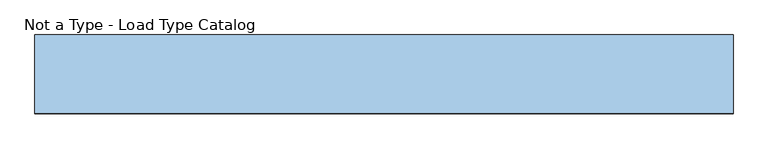
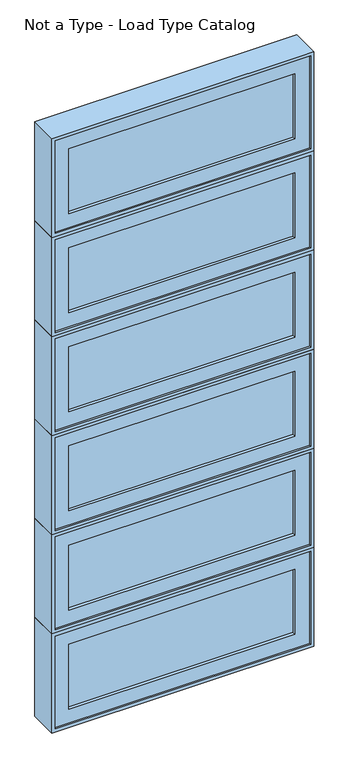
"""IFC4 building model written with IfcOpenShell, lengths in millimetres: window geometry, Not a Type - Load Type Catalog."""

import ifcopenshell
import ifcopenshell.guid

model = None  # the IFC model being written
_history = None  # IfcOwnerHistory: only IFC2X3 demands one
_inside = {}  # id of a spatial element -> (the spatial element, [elements in it])
_under = {}  # id of a project, library or spatial element -> (it, [spatial elements below it])
_declared = {}  # id of a project -> (the project, [libraries it declares])
_typed = {}  # id of a type object -> (the type object, [elements of that type])
_made_of = {}  # id of a material, layer set ... -> (it, [elements and type objects made of it])


def new_model(schema):
    """Start an empty IFC model of exactly this schema.

    Asked for "IFC4X3", IfcOpenShell would pick the latest addendum, in which some entities
    have other attributes; the version numbers below select the first issue.
    IFC2X3 requires an IfcOwnerHistory on every rooted entity: one is made here for all.
    """
    global model, _history
    if schema == "IFC4X3":
        model = ifcopenshell.file(schema_version=(4, 3, 0, 0))
    else:
        model = ifcopenshell.file(schema=schema)
    _inside.clear()
    _under.clear()
    _declared.clear()
    _typed.clear()
    _made_of.clear()
    _history = None
    if model.schema == "IFC2X3":
        org = make("IfcOrganization", Name="unknown")
        user = make(
            "IfcPersonAndOrganization",
            ThePerson=make("IfcPerson", FamilyName="unknown"),
            TheOrganization=org,
        )
        app = make(
            "IfcApplication",
            ApplicationDeveloper=org,
            Version="unknown",
            ApplicationFullName="unknown",
            ApplicationIdentifier="unknown",
        )
        _history = make(
            "IfcOwnerHistory",
            OwningUser=user,
            OwningApplication=app,
            ChangeAction="ADDED",
            CreationDate=0,
        )
    return model


def make(cls, **values):
    """One entity of the class cls with the attributes given. An attribute that is None is left unset."""
    return model.create_entity(
        cls, **{name: value for name, value in values.items() if value is not None}
    )


def rooted(cls, **values):
    """An entity with a GlobalId (a new one), such as an element, a storey or a relation."""
    return make(cls, GlobalId=ifcopenshell.guid.new(), OwnerHistory=_history, **values)


def si_unit(unit_type, name, prefix=None):
    """IfcSIUnit, for example si_unit("LENGTHUNIT", "METRE", prefix="MILLI")."""
    return make("IfcSIUnit", UnitType=unit_type, Prefix=prefix, Name=name)


def assignment(units):
    """IfcUnitAssignment: the units of a project."""
    return None if units is None else make("IfcUnitAssignment", Units=units)


def point(xyz):
    """IfcCartesianPoint."""
    return None if xyz is None else make("IfcCartesianPoint", Coordinates=xyz)


def direction(xyz):
    """IfcDirection."""
    return None if xyz is None else make("IfcDirection", DirectionRatios=xyz)


def frame(location, z_axis=None, x_axis=None):
    """IfcAxis2Placement3D, a coordinate frame: its origin and axes. An axis left out is left unset."""
    return make(
        "IfcAxis2Placement3D",
        Location=point(location),
        Axis=direction(z_axis),
        RefDirection=direction(x_axis),
    )


def origin():
    """The frame at (0, 0, 0) with its axes left unset."""
    return frame((0.0, 0.0, 0.0))


def place(relative_to, where):
    """IfcLocalPlacement: puts the frame where relative to a parent placement (None: the world)."""
    return make(
        "IfcLocalPlacement", PlacementRelTo=relative_to, RelativePlacement=where
    )


def context(
    kind, dimensions, precision=None, world=None, true_north=None, identifier=None
):
    """IfcGeometricRepresentationContext, for example the 3D "Model" context."""
    return make(
        "IfcGeometricRepresentationContext",
        ContextIdentifier=identifier,
        ContextType=kind,
        CoordinateSpaceDimension=dimensions,
        Precision=precision,
        WorldCoordinateSystem=world,
        TrueNorth=true_north,
    )


def project(units=None, contexts=None):
    """IfcProject with its units and contexts."""
    return rooted(
        "IfcProject",
        Name="project",
        RepresentationContexts=contexts,
        UnitsInContext=assignment(units),
    )


def spatial(cls, under=None, at=None, **own):
    """A site, building, storey or space (cls), placed at a placement, below another one or the project."""
    s = rooted(cls, ObjectPlacement=at, **own)
    if under is not None:
        _under.setdefault(under.id(), (under, []))[1].append(s)
    return s


def polyline(points):
    """IfcPolyline through the points."""
    return make("IfcPolyline", Points=[point(p) for p in points])


def outline(outer, holes=None, kind="AREA"):
    """IfcArbitraryClosedProfileDef: a profile drawn as a closed curve; with holes, ...WithVoids."""
    if holes is None:
        return make("IfcArbitraryClosedProfileDef", ProfileType=kind, OuterCurve=outer)
    return make(
        "IfcArbitraryProfileDefWithVoids",
        ProfileType=kind,
        OuterCurve=outer,
        InnerCurves=holes,
    )


def extrude(swept, where, along, depth):
    """IfcExtrudedAreaSolid: the profile swept, set in the frame where, extruded along a direction by depth."""
    return make(
        "IfcExtrudedAreaSolid",
        SweptArea=swept,
        Position=where,
        ExtrudedDirection=direction(along),
        Depth=depth,
    )


def faces_of(points, faces, orient=None, outer=None):
    """IfcFace entities. A face is a list of loops; a loop is a list of indices into points, from 0.

    orient and outer hold one flag for each loop. By default every Orientation is true, the
    first loop of a face is its IfcFaceOuterBound and the others are IfcFaceBound.
    """
    made = []
    for i, loops in enumerate(faces):
        bounds = []
        for j, loop in enumerate(loops):
            is_outer = j == 0 if outer is None else outer[i][j]
            bounds.append(
                make(
                    "IfcFaceOuterBound" if is_outer else "IfcFaceBound",
                    Bound=make("IfcPolyLoop", Polygon=[points[k] for k in loop]),
                    Orientation=True if orient is None else orient[i][j],
                )
            )
        made.append(make("IfcFace", Bounds=bounds))
    return made


def faceted_brep(points, faces, orient=None, outer=None, voids=None):
    """IfcFacetedBrep: a solid bounded by flat faces; with voids (closed shells), ...WithVoids."""
    shared = [point(p) for p in points]
    hull = make("IfcClosedShell", CfsFaces=faces_of(shared, faces, orient, outer))
    if voids is None:
        return make("IfcFacetedBrep", Outer=hull)
    return make(
        "IfcFacetedBrepWithVoids",
        Outer=hull,
        Voids=[
            make(cls, CfsFaces=faces_of(shared, fs, o, b)) for cls, fs, o, b in voids
        ],
    )


def shape(context_of_items, identifier, shape_type, items):
    """IfcShapeRepresentation: the items that make up one representation, for example the "Body"."""
    return make(
        "IfcShapeRepresentation",
        ContextOfItems=context_of_items,
        RepresentationIdentifier=identifier,
        RepresentationType=shape_type,
        Items=items,
    )


def source(mapping_origin, context_of_items, identifier, shape_type, items):
    """IfcRepresentationMap: a shape defined once, which mapped items show again and again."""
    return make(
        "IfcRepresentationMap",
        MappingOrigin=mapping_origin,
        MappedRepresentation=shape(context_of_items, identifier, shape_type, items),
    )


def transform(
    local_origin,
    x_axis=None,
    y_axis=None,
    z_axis=None,
    scale=None,
    scale2=None,
    scale3=None,
    uniform=True,
):
    """IfcCartesianTransformationOperator3D, or its non-uniform kind. x_axis, y_axis, z_axis: its Axis1, 2, 3."""
    if uniform:
        return make(
            "IfcCartesianTransformationOperator3D",
            Axis1=direction(x_axis),
            Axis2=direction(y_axis),
            LocalOrigin=point(local_origin),
            Scale=scale,
            Axis3=direction(z_axis),
        )
    return make(
        "IfcCartesianTransformationOperator3DnonUniform",
        Axis1=direction(x_axis),
        Axis2=direction(y_axis),
        LocalOrigin=point(local_origin),
        Scale=scale,
        Axis3=direction(z_axis),
        Scale2=scale2,
        Scale3=scale3,
    )


def mapped(mapping_source, mapping_target):
    """IfcMappedItem: shows the shape of a source again, moved by a transform."""
    return make(
        "IfcMappedItem", MappingSource=mapping_source, MappingTarget=mapping_target
    )


def made_of(thing, what):
    """Note that an element or type object is made of a material, layer set ...; save() writes the relation."""
    if what is not None:
        _made_of.setdefault(what.id(), (what, []))[1].append(thing)
    return thing


def element(
    cls,
    number,
    at=None,
    inside=None,
    cuts=None,
    type_object=None,
    material=None,
    context=None,
    identifier="Body",
    shape_type=None,
    held_by="IfcProductDefinitionShape",
    body=None,
    shapes=None,
    **own,
):
    """One element of the class cls, such as IfcWall. Its Tag is "e" and its number.

    at: its placement. inside: the storey or other place that contains it. cuts: it is an
    opening in that element (IfcRelVoidsElement). A single representation is given by context,
    identifier, shape_type and body (its items); several are given by shapes. held_by: the class
    of the entity that holds the representations. save() writes the other relations.
    """
    e = rooted(cls, Tag="e%d" % number, ObjectPlacement=at, **own)
    if body is not None:
        shapes = [shape(context, identifier, shape_type, body)]
    if shapes is not None:
        e.Representation = make(held_by, Representations=shapes)
    if inside is not None:
        _inside.setdefault(inside.id(), (inside, []))[1].append(e)
    if cuts is not None:
        rooted(
            "IfcRelVoidsElement", RelatingBuildingElement=cuts, RelatedOpeningElement=e
        )
    if type_object is not None:
        _typed.setdefault(type_object.id(), (type_object, []))[1].append(e)
    return made_of(e, material)


def aggregate(whole, parts):
    """IfcRelAggregates: a whole, such as a stair, and the parts it consists of."""
    return rooted("IfcRelAggregates", RelatingObject=whole, RelatedObjects=parts)


def save(model, path):
    """Write the relations noted so far, then the file.

    IfcRelAggregates (storeys below a building ...), IfcRelContainedInSpatialStructure (elements
    in a storey), IfcRelDefinesByType, IfcRelAssociatesMaterial and IfcRelDeclares: one each for
    every whole, place, type object, material and project.
    """
    for whole, parts in _under.values():
        aggregate(whole, parts)
    for where, things in _inside.values():
        rooted(
            "IfcRelContainedInSpatialStructure",
            RelatedElements=things,
            RelatingStructure=where,
        )
    for kind, things in _typed.values():
        rooted("IfcRelDefinesByType", RelatedObjects=things, RelatingType=kind)
    for what, things in _made_of.values():
        rooted("IfcRelAssociatesMaterial", RelatedObjects=things, RelatingMaterial=what)
    for by, libraries in _declared.values():
        rooted("IfcRelDeclares", RelatingContext=by, RelatedDefinitions=libraries)
    model.write(path)


def not_a_type_load_type_catalog_d03cbe78(model_context):
    return source(origin(), model_context, "Body", "SolidModel", [
        faceted_brep([(-1383.8781766, -42.8625, 2959.1), (-1383.8781766, -93.6625, 2959.1), (-393.2781766, -93.6625, 2959.1), (-393.2781766, -42.8625, 2959.1), (-1364.8281766, 20.6375, 2978.15), (-1364.8281766, -42.8625, 2978.15), (-412.3281766, -42.8625, 2978.15), (-412.3281766, 20.6375, 2978.15), (-1396.5781766, -93.6625, 2946.4), (-1396.5781766, 20.6375, 2946.4), (-380.5781766, 20.6375, 2946.4), (-380.5781766, -93.6625, 2946.4), (-393.2781766, -93.6625, 3340.1), (-393.2781766, -42.8625, 3340.1), (-412.3281766, -42.8625, 3321.05), (-412.3281766, 20.6375, 3321.05), (-380.5781766, 20.6375, 3352.8), (-380.5781766, -93.6625, 3352.8), (-1383.8781766, -93.6625, 3340.1), (-1383.8781766, -42.8625, 3340.1), (-1364.8281766, -42.8625, 3321.05), (-1364.8281766, 20.6375, 3321.05), (-1396.5781766, 20.6375, 3352.8), (-1396.5781766, -93.6625, 3352.8)], [[[0, 1, 2, 3]], [[4, 5, 6, 7]], [[8, 9, 10, 11]], [[3, 2, 12, 13]], [[7, 6, 14, 15]], [[11, 10, 16, 17]], [[13, 12, 18, 19]], [[15, 14, 20, 21]], [[17, 16, 22, 23]], [[11, 17, 23, 8], [1, 18, 12, 2]], [[19, 18, 1, 0]], [[3, 13, 19, 0], [5, 20, 14, 6]], [[21, 20, 5, 4]], [[9, 22, 16, 10], [7, 15, 21, 4]], [[23, 22, 9, 8]]]),
        extrude(outline(polyline([(-1326.7281766, -74.6125), (-1326.7281766, -68.2625), (-450.4281766, -68.2625), (-450.4281766, -74.6125), (-1326.7281766, -74.6125)])), frame((0.0, 0.0, 3016.25), z_axis=(0.0, 0.0, 1.0), x_axis=(1.0, 0.0, 0.0)), (0.0, 0.0, 1.0), 266.7),
        extrude(outline(polyline([(-1326.7281766, -61.9125), (-1326.7281766, -55.5625), (-450.4281766, -55.5625), (-450.4281766, -61.9125), (-1326.7281766, -61.9125)])), frame((0.0, 0.0, 3016.25), z_axis=(0.0, 0.0, 1.0), x_axis=(1.0, 0.0, 0.0)), (0.0, 0.0, 1.0), 266.7),
        extrude(outline(polyline([(3340.1, -393.2781766), (3340.1, -1383.8781766), (2959.1, -1383.8781766), (2959.1, -393.2781766), (3340.1, -393.2781766)]), holes=[polyline([(3016.25, -450.4281766), (3016.25, -1326.7281766), (3282.95, -1326.7281766), (3282.95, -450.4281766), (3016.25, -450.4281766)])]), frame((0.0, -87.3125, 0.0), z_axis=(0.0, 1.0, 0.0), x_axis=(0.0, 0.0, 1.0)), (0.0, 0.0, 1.0), 44.45),
        faceted_brep([(-1383.8781766, -42.8625, 2552.7), (-1383.8781766, -93.6625, 2552.7), (-393.2781766, -93.6625, 2552.7), (-393.2781766, -42.8625, 2552.7), (-1364.8281766, 20.6375, 2571.75), (-1364.8281766, -42.8625, 2571.75), (-412.3281766, -42.8625, 2571.75), (-412.3281766, 20.6375, 2571.75), (-1396.5781766, -93.6625, 2540.0), (-1396.5781766, 20.6375, 2540.0), (-380.5781766, 20.6375, 2540.0), (-380.5781766, -93.6625, 2540.0), (-393.2781766, -93.6625, 2933.7), (-393.2781766, -42.8625, 2933.7), (-412.3281766, -42.8625, 2914.65), (-412.3281766, 20.6375, 2914.65), (-380.5781766, 20.6375, 2946.4), (-380.5781766, -93.6625, 2946.4), (-1383.8781766, -93.6625, 2933.7), (-1383.8781766, -42.8625, 2933.7), (-1364.8281766, -42.8625, 2914.65), (-1364.8281766, 20.6375, 2914.65), (-1396.5781766, 20.6375, 2946.4), (-1396.5781766, -93.6625, 2946.4)], [[[0, 1, 2, 3]], [[4, 5, 6, 7]], [[8, 9, 10, 11]], [[3, 2, 12, 13]], [[7, 6, 14, 15]], [[11, 10, 16, 17]], [[13, 12, 18, 19]], [[15, 14, 20, 21]], [[17, 16, 22, 23]], [[11, 17, 23, 8], [1, 18, 12, 2]], [[19, 18, 1, 0]], [[3, 13, 19, 0], [5, 20, 14, 6]], [[21, 20, 5, 4]], [[9, 22, 16, 10], [7, 15, 21, 4]], [[23, 22, 9, 8]]]),
        extrude(outline(polyline([(-1326.7281766, -74.6125), (-1326.7281766, -68.2625), (-450.4281766, -68.2625), (-450.4281766, -74.6125), (-1326.7281766, -74.6125)])), frame((0.0, 0.0, 2609.85), z_axis=(0.0, 0.0, 1.0), x_axis=(1.0, 0.0, 0.0)), (0.0, 0.0, 1.0), 266.7),
        extrude(outline(polyline([(-1326.7281766, -61.9125), (-1326.7281766, -55.5625), (-450.4281766, -55.5625), (-450.4281766, -61.9125), (-1326.7281766, -61.9125)])), frame((0.0, 0.0, 2609.85), z_axis=(0.0, 0.0, 1.0), x_axis=(1.0, 0.0, 0.0)), (0.0, 0.0, 1.0), 266.7),
        extrude(outline(polyline([(2933.7, -393.2781766), (2933.7, -1383.8781766), (2552.7, -1383.8781766), (2552.7, -393.2781766), (2933.7, -393.2781766)]), holes=[polyline([(2609.85, -450.4281766), (2609.85, -1326.7281766), (2876.55, -1326.7281766), (2876.55, -450.4281766), (2609.85, -450.4281766)])]), frame((0.0, -87.3125, 0.0), z_axis=(0.0, 1.0, 0.0), x_axis=(0.0, 0.0, 1.0)), (0.0, 0.0, 1.0), 44.45),
        faceted_brep([(-1383.8781766, -42.8625, 2146.3), (-1383.8781766, -93.6625, 2146.3), (-393.2781766, -93.6625, 2146.3), (-393.2781766, -42.8625, 2146.3), (-1364.8281766, 20.6375, 2165.35), (-1364.8281766, -42.8625, 2165.35), (-412.3281766, -42.8625, 2165.35), (-412.3281766, 20.6375, 2165.35), (-1396.5781766, -93.6625, 2133.6), (-1396.5781766, 20.6375, 2133.6), (-380.5781766, 20.6375, 2133.6), (-380.5781766, -93.6625, 2133.6), (-393.2781766, -93.6625, 2527.3), (-393.2781766, -42.8625, 2527.3), (-412.3281766, -42.8625, 2508.25), (-412.3281766, 20.6375, 2508.25), (-380.5781766, 20.6375, 2540.0), (-380.5781766, -93.6625, 2540.0), (-1383.8781766, -93.6625, 2527.3), (-1383.8781766, -42.8625, 2527.3), (-1364.8281766, -42.8625, 2508.25), (-1364.8281766, 20.6375, 2508.25), (-1396.5781766, 20.6375, 2540.0), (-1396.5781766, -93.6625, 2540.0)], [[[0, 1, 2, 3]], [[4, 5, 6, 7]], [[8, 9, 10, 11]], [[3, 2, 12, 13]], [[7, 6, 14, 15]], [[11, 10, 16, 17]], [[13, 12, 18, 19]], [[15, 14, 20, 21]], [[17, 16, 22, 23]], [[11, 17, 23, 8], [1, 18, 12, 2]], [[19, 18, 1, 0]], [[3, 13, 19, 0], [5, 20, 14, 6]], [[21, 20, 5, 4]], [[9, 22, 16, 10], [7, 15, 21, 4]], [[23, 22, 9, 8]]]),
        extrude(outline(polyline([(-1326.7281766, -74.6125), (-1326.7281766, -68.2625), (-450.4281766, -68.2625), (-450.4281766, -74.6125), (-1326.7281766, -74.6125)])), frame((0.0, 0.0, 2203.45), z_axis=(0.0, 0.0, 1.0), x_axis=(1.0, 0.0, 0.0)), (0.0, 0.0, 1.0), 266.7),
        extrude(outline(polyline([(-1326.7281766, -61.9125), (-1326.7281766, -55.5625), (-450.4281766, -55.5625), (-450.4281766, -61.9125), (-1326.7281766, -61.9125)])), frame((0.0, 0.0, 2203.45), z_axis=(0.0, 0.0, 1.0), x_axis=(1.0, 0.0, 0.0)), (0.0, 0.0, 1.0), 266.7),
        extrude(outline(polyline([(2527.3, -393.2781766), (2527.3, -1383.8781766), (2146.3, -1383.8781766), (2146.3, -393.2781766), (2527.3, -393.2781766)]), holes=[polyline([(2203.45, -450.4281766), (2203.45, -1326.7281766), (2470.15, -1326.7281766), (2470.15, -450.4281766), (2203.45, -450.4281766)])]), frame((0.0, -87.3125, 0.0), z_axis=(0.0, 1.0, 0.0), x_axis=(0.0, 0.0, 1.0)), (0.0, 0.0, 1.0), 44.45),
        faceted_brep([(-1383.8781766, -42.8625, 1739.9), (-1383.8781766, -93.6625, 1739.9), (-393.2781766, -93.6625, 1739.9), (-393.2781766, -42.8625, 1739.9), (-1364.8281766, 20.6375, 1758.95), (-1364.8281766, -42.8625, 1758.95), (-412.3281766, -42.8625, 1758.95), (-412.3281766, 20.6375, 1758.95), (-1396.5781766, -93.6625, 1727.2), (-1396.5781766, 20.6375, 1727.2), (-380.5781766, 20.6375, 1727.2), (-380.5781766, -93.6625, 1727.2), (-393.2781766, -93.6625, 2120.9), (-393.2781766, -42.8625, 2120.9), (-412.3281766, -42.8625, 2101.85), (-412.3281766, 20.6375, 2101.85), (-380.5781766, 20.6375, 2133.6), (-380.5781766, -93.6625, 2133.6), (-1383.8781766, -93.6625, 2120.9), (-1383.8781766, -42.8625, 2120.9), (-1364.8281766, -42.8625, 2101.85), (-1364.8281766, 20.6375, 2101.85), (-1396.5781766, 20.6375, 2133.6), (-1396.5781766, -93.6625, 2133.6)], [[[0, 1, 2, 3]], [[4, 5, 6, 7]], [[8, 9, 10, 11]], [[3, 2, 12, 13]], [[7, 6, 14, 15]], [[11, 10, 16, 17]], [[13, 12, 18, 19]], [[15, 14, 20, 21]], [[17, 16, 22, 23]], [[11, 17, 23, 8], [1, 18, 12, 2]], [[19, 18, 1, 0]], [[3, 13, 19, 0], [5, 20, 14, 6]], [[21, 20, 5, 4]], [[9, 22, 16, 10], [7, 15, 21, 4]], [[23, 22, 9, 8]]]),
        extrude(outline(polyline([(-1326.7281766, -74.6125), (-1326.7281766, -68.2625), (-450.4281766, -68.2625), (-450.4281766, -74.6125), (-1326.7281766, -74.6125)])), frame((0.0, 0.0, 1797.05), z_axis=(0.0, 0.0, 1.0), x_axis=(1.0, 0.0, 0.0)), (0.0, 0.0, 1.0), 266.7),
        extrude(outline(polyline([(-1326.7281766, -61.9125), (-1326.7281766, -55.5625), (-450.4281766, -55.5625), (-450.4281766, -61.9125), (-1326.7281766, -61.9125)])), frame((0.0, 0.0, 1797.05), z_axis=(0.0, 0.0, 1.0), x_axis=(1.0, 0.0, 0.0)), (0.0, 0.0, 1.0), 266.7),
        extrude(outline(polyline([(2120.9, -393.2781766), (2120.9, -1383.8781766), (1739.9, -1383.8781766), (1739.9, -393.2781766), (2120.9, -393.2781766)]), holes=[polyline([(1797.05, -450.4281766), (1797.05, -1326.7281766), (2063.75, -1326.7281766), (2063.75, -450.4281766), (1797.05, -450.4281766)])]), frame((0.0, -87.3125, 0.0), z_axis=(0.0, 1.0, 0.0), x_axis=(0.0, 0.0, 1.0)), (0.0, 0.0, 1.0), 44.45),
        faceted_brep([(-1383.8781766, -42.8625, 1333.5), (-1383.8781766, -93.6625, 1333.5), (-393.2781766, -93.6625, 1333.5), (-393.2781766, -42.8625, 1333.5), (-1364.8281766, 20.6375, 1352.55), (-1364.8281766, -42.8625, 1352.55), (-412.3281766, -42.8625, 1352.55), (-412.3281766, 20.6375, 1352.55), (-1396.5781766, -93.6625, 1320.8), (-1396.5781766, 20.6375, 1320.8), (-380.5781766, 20.6375, 1320.8), (-380.5781766, -93.6625, 1320.8), (-393.2781766, -93.6625, 1714.5), (-393.2781766, -42.8625, 1714.5), (-412.3281766, -42.8625, 1695.45), (-412.3281766, 20.6375, 1695.45), (-380.5781766, 20.6375, 1727.2), (-380.5781766, -93.6625, 1727.2), (-1383.8781766, -93.6625, 1714.5), (-1383.8781766, -42.8625, 1714.5), (-1364.8281766, -42.8625, 1695.45), (-1364.8281766, 20.6375, 1695.45), (-1396.5781766, 20.6375, 1727.2), (-1396.5781766, -93.6625, 1727.2)], [[[0, 1, 2, 3]], [[4, 5, 6, 7]], [[8, 9, 10, 11]], [[3, 2, 12, 13]], [[7, 6, 14, 15]], [[11, 10, 16, 17]], [[13, 12, 18, 19]], [[15, 14, 20, 21]], [[17, 16, 22, 23]], [[11, 17, 23, 8], [1, 18, 12, 2]], [[19, 18, 1, 0]], [[3, 13, 19, 0], [5, 20, 14, 6]], [[21, 20, 5, 4]], [[9, 22, 16, 10], [7, 15, 21, 4]], [[23, 22, 9, 8]]]),
        extrude(outline(polyline([(-1326.7281766, -74.6125), (-1326.7281766, -68.2625), (-450.4281766, -68.2625), (-450.4281766, -74.6125), (-1326.7281766, -74.6125)])), frame((0.0, 0.0, 1390.65), z_axis=(0.0, 0.0, 1.0), x_axis=(1.0, 0.0, 0.0)), (0.0, 0.0, 1.0), 266.7),
        extrude(outline(polyline([(-1326.7281766, -61.9125), (-1326.7281766, -55.5625), (-450.4281766, -55.5625), (-450.4281766, -61.9125), (-1326.7281766, -61.9125)])), frame((0.0, 0.0, 1390.65), z_axis=(0.0, 0.0, 1.0), x_axis=(1.0, 0.0, 0.0)), (0.0, 0.0, 1.0), 266.7),
        extrude(outline(polyline([(1714.5, -393.2781766), (1714.5, -1383.8781766), (1333.5, -1383.8781766), (1333.5, -393.2781766), (1714.5, -393.2781766)]), holes=[polyline([(1390.65, -450.4281766), (1390.65, -1326.7281766), (1657.35, -1326.7281766), (1657.35, -450.4281766), (1390.65, -450.4281766)])]), frame((0.0, -87.3125, 0.0), z_axis=(0.0, 1.0, 0.0), x_axis=(0.0, 0.0, 1.0)), (0.0, 0.0, 1.0), 44.45),
        faceted_brep([(-1383.8781766, -42.8625, 927.1), (-1383.8781766, -93.6625, 927.1), (-393.2781766, -93.6625, 927.1), (-393.2781766, -42.8625, 927.1), (-1364.8281766, 20.6375, 946.15), (-1364.8281766, -42.8625, 946.15), (-412.3281766, -42.8625, 946.15), (-412.3281766, 20.6375, 946.15), (-1396.5781766, -93.6625, 914.4), (-1396.5781766, 20.6375, 914.4), (-380.5781766, 20.6375, 914.4), (-380.5781766, -93.6625, 914.4), (-393.2781766, -93.6625, 1308.1), (-393.2781766, -42.8625, 1308.1), (-412.3281766, -42.8625, 1289.05), (-412.3281766, 20.6375, 1289.05), (-380.5781766, 20.6375, 1320.8), (-380.5781766, -93.6625, 1320.8), (-1383.8781766, -93.6625, 1308.1), (-1383.8781766, -42.8625, 1308.1), (-1364.8281766, -42.8625, 1289.05), (-1364.8281766, 20.6375, 1289.05), (-1396.5781766, 20.6375, 1320.8), (-1396.5781766, -93.6625, 1320.8)], [[[0, 1, 2, 3]], [[4, 5, 6, 7]], [[8, 9, 10, 11]], [[3, 2, 12, 13]], [[7, 6, 14, 15]], [[11, 10, 16, 17]], [[13, 12, 18, 19]], [[15, 14, 20, 21]], [[17, 16, 22, 23]], [[11, 17, 23, 8], [1, 18, 12, 2]], [[19, 18, 1, 0]], [[3, 13, 19, 0], [5, 20, 14, 6]], [[21, 20, 5, 4]], [[9, 22, 16, 10], [7, 15, 21, 4]], [[23, 22, 9, 8]]]),
        extrude(outline(polyline([(-1326.7281766, -74.6125), (-1326.7281766, -68.2625), (-450.4281766, -68.2625), (-450.4281766, -74.6125), (-1326.7281766, -74.6125)])), frame((0.0, 0.0, 984.25), z_axis=(0.0, 0.0, 1.0), x_axis=(1.0, 0.0, 0.0)), (0.0, 0.0, 1.0), 266.7),
        extrude(outline(polyline([(-1326.7281766, -61.9125), (-1326.7281766, -55.5625), (-450.4281766, -55.5625), (-450.4281766, -61.9125), (-1326.7281766, -61.9125)])), frame((0.0, 0.0, 984.25), z_axis=(0.0, 0.0, 1.0), x_axis=(1.0, 0.0, 0.0)), (0.0, 0.0, 1.0), 266.7),
        extrude(outline(polyline([(1308.1, -393.2781766), (1308.1, -1383.8781766), (927.1, -1383.8781766), (927.1, -393.2781766), (1308.1, -393.2781766)]), holes=[polyline([(984.25, -450.4281766), (984.25, -1326.7281766), (1250.95, -1326.7281766), (1250.95, -450.4281766), (984.25, -450.4281766)])]), frame((0.0, -87.3125, 0.0), z_axis=(0.0, 1.0, 0.0), x_axis=(0.0, 0.0, 1.0)), (0.0, 0.0, 1.0), 44.45),
    ])


if __name__ == "__main__":
    model = new_model("IFC4")
    model_context = context("Model", 3, world=origin())
    ifc_project = project(units=[si_unit("LENGTHUNIT", "METRE", prefix="MILLI")], contexts=[model_context])
    site = spatial("IfcSite", under=ifc_project)
    building = spatial("IfcBuilding", under=site)
    placement = place(None, origin())
    not_a_type_load_type_catalog_shape = not_a_type_load_type_catalog_d03cbe78(model_context)
    element("IfcWindow", 1, ObjectType="Not a Type - Load Type Catalog", at=placement, inside=building, context=model_context, shape_type="MappedRepresentation", body=[
        mapped(not_a_type_load_type_catalog_shape, transform((0.0, 0.0, 0.0), x_axis=(1.0, 0.0, 0.0), y_axis=(0.0, 1.0, 0.0), z_axis=(0.0, 0.0, 1.0))),
    ])
    save(model, "model.ifc")
